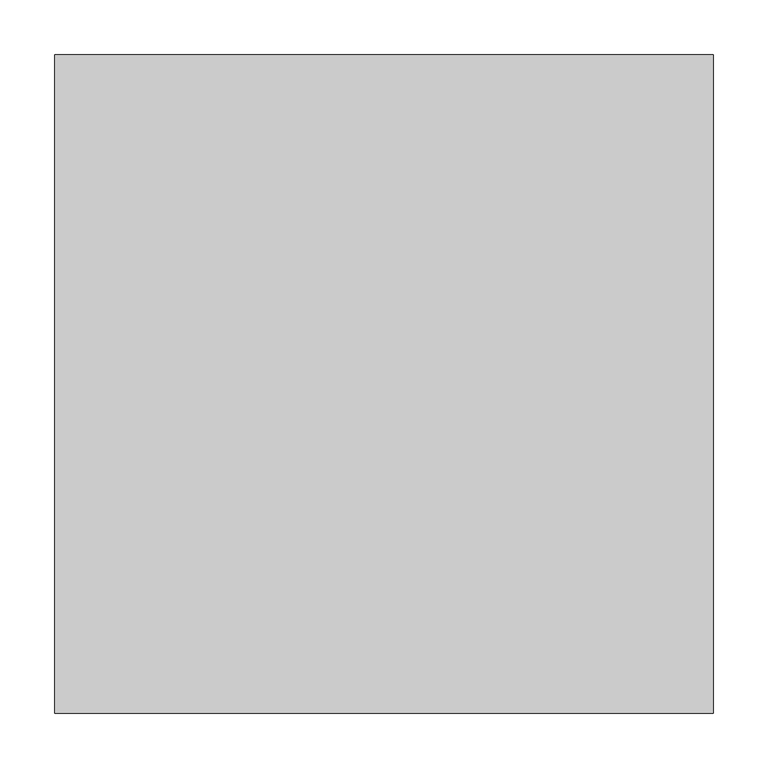
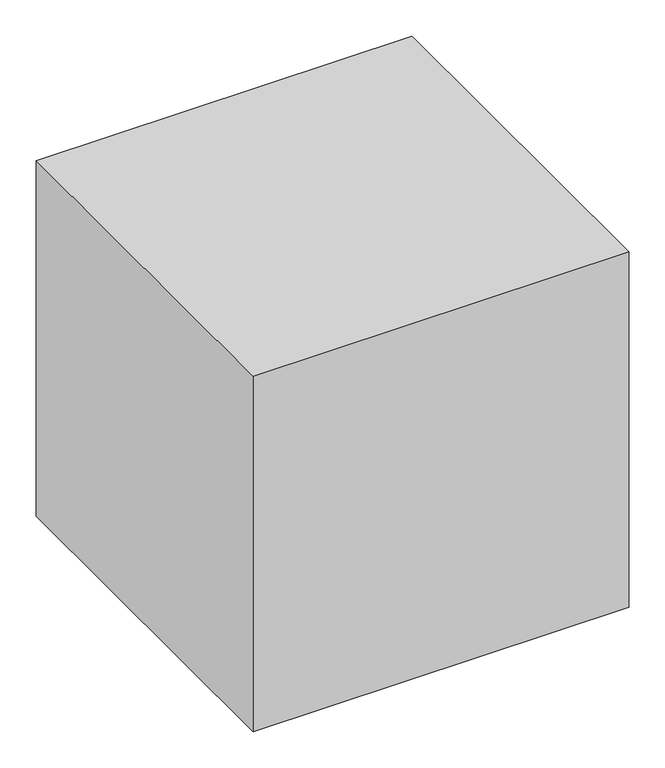
"""IFC4 building model written with IfcOpenShell, lengths in millimetres: proxy geometry."""

from ifc_helpers import new_model, si_unit, origin, origin_with_axes, place, context, project, spatial, polyline, outline, extrude, source, transform, mapped, element, save


def generic_models_dee50408(model_context):
    return source(origin(), model_context, "Body", "SweptSolid", [
        extrude(outline(polyline([(600.0, 600.0), (600.0, 0.0), (0.0, 0.0), (0.0, 600.0), (600.0, 600.0)])), origin_with_axes(), (0.0, 0.0, 1.0), 600.0),
    ])


if __name__ == "__main__":
    model = new_model("IFC4")
    model_context = context("Model", 3, world=origin())
    ifc_project = project(units=[si_unit("LENGTHUNIT", "METRE", prefix="MILLI")], contexts=[model_context])
    site = spatial("IfcSite", under=ifc_project)
    building = spatial("IfcBuilding", under=site)
    placement = place(None, origin())
    generic_models_shape = generic_models_dee50408(model_context)
    element("IfcBuildingElementProxy", 1, Name="Generic Models", at=placement, inside=building, context=model_context, shape_type="MappedRepresentation", body=[
        mapped(generic_models_shape, transform((0.0, 0.0, 0.0), x_axis=(1.0, 0.0, 0.0), y_axis=(0.0, 1.0, 0.0), z_axis=(0.0, 0.0, 1.0))),
    ])
    save(model, "model.ifc")
